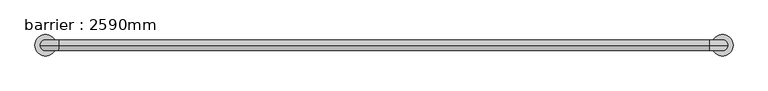
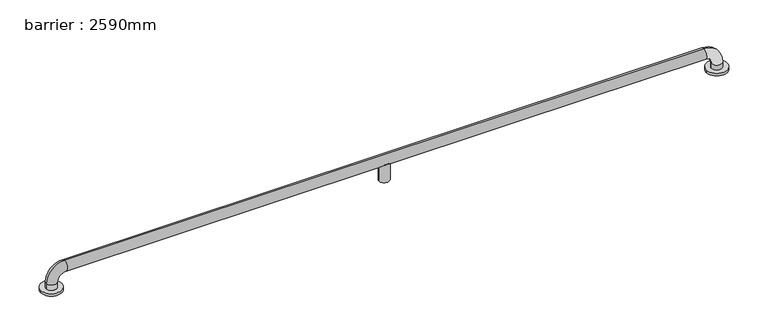
"""IFC4 building model written with IfcOpenShell, lengths in millimetres: geographic element geometry, barrier : 2590mm."""

from ifc_helpers import new_model, si_unit, point, frame, origin, place, context, project, spatial, circle_curve, ellipse_curve, trimmed, source, transform, mapped, element, save
from ifc_brep_helpers import plane_surface, cylinder_surface, revolved_surface, advanced_brep


def barrier_2590mm_ea9a8ba8(model_context):
    return source(origin(), model_context, "Body", "AdvancedBrep", [
        advanced_brep(
        [(-555.5225847, 0.0, 0.0), (-475.5225847, 0.0, 0.0), (1991.5036024, 0.0, 0.0), (2071.5036024, 0.0, 0.0), (-495.5225847, 0.0, 30.0), (-495.5225847, 0.0, 10.0), (-535.5225847, 0.0, 10.0), (-535.5225847, 0.0, 30.0), (-465.5225847, 0.0, 100.0), (-465.5225847, 0.0, 60.0), (1981.5036024, 0.0, 100.0), (1981.5036024, 0.0, 60.0), (777.9905089, 0.0, 60.0), (766.6842201, 18.0116458, 71.3062888), (749.2967977, 18.0116458, 71.3062888), (737.9905089, 0.0, 60.0), (749.2967977, -18.0116458, 71.3062888), (766.6842201, -18.0116458, 71.3062888), (2051.5036024, 0.0, 30.0), (2011.5036024, 0.0, 30.0), (2051.5036024, 0.0, 10.0), (2011.5036024, 0.0, 10.0), (737.9905089, 0.0, 0.0), (777.9905089, 0.0, 0.0), (-555.5225847, 0.0, 10.0), (-475.5225847, 0.0, 10.0), (1991.5036024, 0.0, 10.0), (2071.5036024, 0.0, 10.0)],
        [
            (0, 1, circle_curve(frame((-515.5225847, 0.0, 0.0), z_axis=(0.0, 0.0, -1.0), x_axis=(1.0, 0.0, 0.0)), 40.0)),
            (1, 0, circle_curve(frame((-515.5225847, 0.0, 0.0), z_axis=(0.0, 0.0, -1.0), x_axis=(1.0, 0.0, 0.0)), 40.0)),
            (2, 3, circle_curve(frame((2031.5036024, 0.0, 0.0), z_axis=(0.0, 0.0, -1.0), x_axis=(1.0, 0.0, 0.0)), 40.0)),
            (3, 2, circle_curve(frame((2031.5036024, 0.0, 0.0), z_axis=(0.0, 0.0, -1.0), x_axis=(1.0, 0.0, 0.0)), 40.0)),
            (4, 5),
            (5, 6, circle_curve(frame((-515.5225847, 0.0, 10.0), z_axis=(0.0, 0.0, 1.0), x_axis=(-1.0, 0.0, 0.0)), 20.0)),
            (6, 7),
            (7, 4, circle_curve(frame((-515.5225847, 0.0, 30.0), z_axis=(0.0, 0.0, -1.0), x_axis=(-1.0, 0.0, 0.0)), 20.0)),
            (6, 5, circle_curve(frame((-515.5225847, 0.0, 10.0), z_axis=(0.0, 0.0, 1.0), x_axis=(-1.0, 0.0, 0.0)), 20.0)),
            (4, 7, circle_curve(frame((-515.5225847, 0.0, 30.0), z_axis=(0.0, 0.0, -1.0), x_axis=(-1.0, 0.0, 0.0)), 20.0)),
            (7, 8, circle_curve(frame((-465.5225847, 0.0, 30.0), z_axis=(0.0, 1.0, 0.0), x_axis=(-1.0, 0.0, 0.0)), 70.0)),
            (8, 9, circle_curve(frame((-465.5225847, 0.0, 80.0), z_axis=(-1.0, 0.0, 0.0), x_axis=(0.0, 0.0, 1.0)), 20.0)),
            (9, 4, circle_curve(frame((-465.5225847, 0.0, 30.0), z_axis=(0.0, -1.0, 0.0), x_axis=(-1.0, 0.0, 0.0)), 30.0)),
            (9, 8, circle_curve(frame((-465.5225847, 0.0, 80.0), z_axis=(-1.0, 0.0, 0.0), x_axis=(0.0, 0.0, 1.0)), 20.0)),
            (8, 10),
            (10, 11, circle_curve(frame((1981.5036024, 0.0, 80.0), z_axis=(-1.0, 0.0, 0.0), x_axis=(0.0, 0.0, 1.0)), 20.0)),
            (11, 12),
            (12, 13, ellipse_curve(frame((757.9905089, 0.0, 80.0), z_axis=(0.7071067811865475, 0.0, 0.7071067811865475), x_axis=(-0.7071067811865476, 0.0, 0.7071067811865474)), 28.2842712, 20.0)),
            (13, 14),
            (14, 15, ellipse_curve(frame((757.9905089, 0.0, 80.0), z_axis=(-0.7071067811865475, 0.0, 0.7071067811865475), x_axis=(-0.7071067811865476, 0.0, -0.7071067811865474)), 28.2842712, 20.0)),
            (15, 9),
            (15, 16, ellipse_curve(frame((757.9905089, 0.0, 80.0), z_axis=(-0.7071067811865475, 0.0, 0.7071067811865475), x_axis=(-0.7071067811865476, 0.0, -0.7071067811865474)), 28.2842712, 20.0)),
            (16, 17),
            (17, 12, ellipse_curve(frame((757.9905089, 0.0, 80.0), z_axis=(0.7071067811865475, 0.0, 0.7071067811865475), x_axis=(-0.7071067811865476, 0.0, 0.7071067811865474)), 28.2842712, 20.0)),
            (11, 10, circle_curve(frame((1981.5036024, 0.0, 80.0), z_axis=(-1.0, 0.0, 0.0), x_axis=(0.0, 0.0, 1.0)), 20.0)),
            (10, 18, circle_curve(frame((1981.5036024, 0.0, 30.0), z_axis=(0.0, 1.0, 0.0), x_axis=(0.0, 0.0, 1.0)), 70.0)),
            (18, 19, circle_curve(frame((2031.5036024, 0.0, 30.0), z_axis=(0.0, 0.0, 1.0), x_axis=(1.0, 0.0, 0.0)), 20.0)),
            (19, 11, circle_curve(frame((1981.5036024, 0.0, 30.0), z_axis=(0.0, -1.0, 0.0), x_axis=(0.0, 0.0, 1.0)), 30.0)),
            (19, 18, circle_curve(frame((2031.5036024, 0.0, 30.0), z_axis=(0.0, 0.0, 1.0), x_axis=(1.0, 0.0, 0.0)), 20.0)),
            (18, 20),
            (20, 21, circle_curve(frame((2031.5036024, 0.0, 10.0), z_axis=(0.0, 0.0, 1.0), x_axis=(1.0, 0.0, 0.0)), 20.0)),
            (21, 19),
            (21, 20, circle_curve(frame((2031.5036024, 0.0, 10.0), z_axis=(0.0, 0.0, 1.0), x_axis=(1.0, 0.0, 0.0)), 20.0)),
            (22, 23, circle_curve(frame((757.9905089, 0.0, 0.0), z_axis=(0.0, 0.0, -1.0), x_axis=(1.0, 0.0, 0.0)), 20.0)),
            (23, 22, circle_curve(frame((757.9905089, 0.0, 0.0), z_axis=(0.0, 0.0, -1.0), x_axis=(1.0, 0.0, 0.0)), 20.0)),
            (22, 15),
            (14, 13, circle_curve(frame((757.9905089, 0.0, 71.3062888), z_axis=(0.0, 0.0, -1.0), x_axis=(1.0, 0.0, 0.0)), 20.0)),
            (12, 23),
            (17, 16, circle_curve(frame((757.9905089, 0.0, 71.3062888), z_axis=(0.0, 0.0, -1.0), x_axis=(1.0, 0.0, 0.0)), 20.0)),
            (24, 25, circle_curve(frame((-515.5225847, 0.0, 10.0), z_axis=(0.0, 0.0, 1.0), x_axis=(1.0, 0.0, 0.0)), 40.0)),
            (25, 24, circle_curve(frame((-515.5225847, 0.0, 10.0), z_axis=(0.0, 0.0, 1.0), x_axis=(1.0, 0.0, 0.0)), 40.0)),
            (26, 27, circle_curve(frame((2031.5036024, 0.0, 10.0), z_axis=(0.0, 0.0, 1.0), x_axis=(1.0, 0.0, 0.0)), 40.0)),
            (27, 26, circle_curve(frame((2031.5036024, 0.0, 10.0), z_axis=(0.0, 0.0, 1.0), x_axis=(1.0, 0.0, 0.0)), 40.0)),
            (25, 1),
            (0, 24),
            (27, 3),
            (2, 26),
        ],
        [
            plane_surface(frame((-515.5225847, 20.0, 0.0), z_axis=(0.0, 0.0, -1.0), x_axis=(1.0, 0.0, 0.0))),
            cylinder_surface(frame((-515.5225847, 0.0, 0.0), z_axis=(0.0, 0.0, -1.0), x_axis=(-1.0, 0.0, 0.0)), 20.0),
            revolved_surface(trimmed(ellipse_curve(frame((-515.5225847, 0.0, 30.0), z_axis=(0.0, 0.0, 1.0), x_axis=(-1.0, 0.0, 0.0)), 20.0, 20.0), [point((-495.5225847, 0.0, 30.0))], [point((-535.5225847, 0.0, 30.0))], True, "CARTESIAN"), (-465.5225847, 0.0, 30.0), (0.0, -1.0, 0.0)),
            revolved_surface(trimmed(ellipse_curve(frame((-515.5225847, 0.0, 30.0), z_axis=(0.0, 0.0, 1.0), x_axis=(-1.0, 0.0, 0.0)), 20.0, 20.0), [point((-535.5225847, 0.0, 30.0))], [point((-495.5225847, 0.0, 30.0))], True, "CARTESIAN"), (-465.5225847, 0.0, 30.0), (0.0, -1.0, 0.0)),
            cylinder_surface(frame((-465.5225847, 0.0, 80.0), z_axis=(-1.0, 0.0, 0.0), x_axis=(0.0, 0.0, 1.0)), 20.0),
            revolved_surface(trimmed(ellipse_curve(frame((1981.5036024, 0.0, 80.0), z_axis=(1.0, 0.0, 0.0), x_axis=(0.0, 0.0, 1.0)), 20.0, 20.0), [point((1981.5036024, 0.0, 60.0))], [point((1981.5036024, 0.0, 100.0))], True, "CARTESIAN"), (1981.5036024, 0.0, 30.0), (0.0, -1.0, 0.0)),
            revolved_surface(trimmed(ellipse_curve(frame((1981.5036024, 0.0, 80.0), z_axis=(1.0, 0.0, 0.0), x_axis=(0.0, 0.0, 1.0)), 20.0, 20.0), [point((1981.5036024, 0.0, 100.0))], [point((1981.5036024, 0.0, 60.0))], True, "CARTESIAN"), (1981.5036024, 0.0, 30.0), (0.0, -1.0, 0.0)),
            cylinder_surface(frame((2031.5036024, 0.0, 30.0), z_axis=(0.0, 0.0, 1.0), x_axis=(1.0, 0.0, 0.0)), 20.0),
            plane_surface(frame((777.9905089, 0.0, 0.0), z_axis=(0.0, 0.0, -1.0), x_axis=(0.0, 1.0, 0.0))),
            cylinder_surface(frame((757.9905089, 0.0, 0.0), z_axis=(0.0, 0.0, 1.0), x_axis=(1.0, 0.0, 0.0)), 20.0),
            plane_surface(frame((-475.5225847, 0.0, 10.0), z_axis=(0.0, 0.0, 1.0), x_axis=(0.0, -1.0, 0.0))),
            cylinder_surface(frame((-515.5225847, 0.0, 0.0), z_axis=(0.0, 0.0, 1.0), x_axis=(1.0, 0.0, 0.0)), 40.0),
            cylinder_surface(frame((2031.5036024, 0.0, 0.0), z_axis=(0.0, 0.0, 1.0), x_axis=(1.0, 0.0, 0.0)), 40.0),
            plane_surface(frame((777.9905089, 0.0, 71.3062888), z_axis=(0.0, 0.0, 1.0), x_axis=(0.0, -1.0, 0.0))),
        ],
        [
            (0, [[1, 2]]),
            (0, [[3, 4]]),
            (1, [[5, 6, 7, 8]]),
            (1, [[-7, 9, -5, 10]]),
            (2, [[11, 12, 13, -8]]),
            (3, [[-13, 14, -11, -10]]),
            (4, [[15, 16, 17, 18, 19, 20, 21, -12]]),
            (4, [[-21, 22, 23, 24, -17, 25, -15, -14]]),
            (5, [[26, 27, 28, -16]]),
            (6, [[-28, 29, -26, -25]]),
            (7, [[30, 31, 32, -27]]),
            (7, [[-32, 33, -30, -29]]),
            (8, [[34, 35]]),
            (9, [[36, -20, 37, -18, 38, -34]]),
            (9, [[-38, -24, 39, -22, -36, -35]]),
            (10, [[40, 41], [-9, -6]]),
            (10, [[42, 43], [-33, -31]]),
            (11, [[44, -1, 45, -41]]),
            (11, [[-45, -2, -44, -40]]),
            (12, [[46, -3, 47, -43]]),
            (12, [[-47, -4, -46, -42]]),
            (13, [[-19, -37]]),
            (13, [[-23, -39]]),
        ],
    ),
    ])


if __name__ == "__main__":
    model = new_model("IFC4")
    model_context = context("Model", 3, world=origin())
    ifc_project = project(units=[si_unit("LENGTHUNIT", "METRE", prefix="MILLI")], contexts=[model_context])
    site = spatial("IfcSite", under=ifc_project)
    building = spatial("IfcBuilding", under=site)
    placement = place(None, origin())
    barrier_2590mm_shape = barrier_2590mm_ea9a8ba8(model_context)
    element("IfcGeographicElement", 1, ObjectType="barrier : 2590mm", at=placement, inside=building, context=model_context, shape_type="MappedRepresentation", body=[
        mapped(barrier_2590mm_shape, transform((0.0, 0.0, 0.0), x_axis=(1.0, 0.0, 0.0), y_axis=(0.0, 1.0, 0.0), z_axis=(0.0, 0.0, 1.0))),
    ])
    save(model, "model.ifc")
